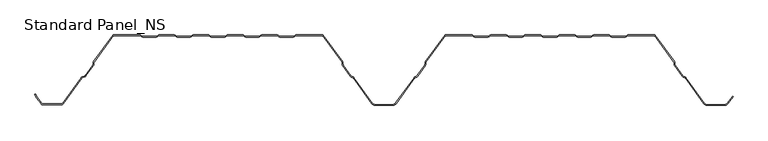
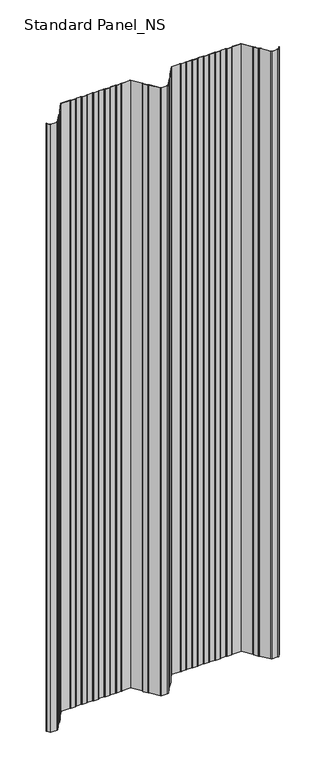
"""IFC4 building model written with IfcOpenShell, lengths in millimetres: proxy geometry, Standard Panel_NS."""

from ifc_helpers import new_model, si_unit, point, frame, frame_2d, origin, place, context, project, spatial, polyline, circle_curve, trimmed, segment, composite_curve, outline, extrude, source, transform, mapped, element, save


def standard_panel_ns_0f8c9b71(model_context):
    return source(origin(), model_context, "Body", "SweptSolid", [
        extrude(outline(composite_curve([segment(polyline([(-491.8230656, -98.864737), (-498.391455, -89.8048897), (-500.5883845, -85.4014829), (-499.6935696, -84.9550455), (-497.5334489, -89.2846747), (-491.0134552, -98.2777695)]), True, "CONTINUOUS"), segment(trimmed(circle_curve(frame_2d((-489.5977664, -97.2513951)), 1.7486049), [point((-491.0134552, -98.2777695))], [point((-489.5977664, -99.0))], True, "CARTESIAN"), True, "CONTINUOUS"), segment(polyline([(-489.5977664, -99.0), (-462.4022336, -99.0)]), True, "CONTINUOUS"), segment(trimmed(circle_curve(frame_2d((-462.4022336, -97.2513951)), 1.7486049), [point((-462.4022336, -99.0))], [point((-460.9865448, -98.2777695))], True, "CARTESIAN"), True, "CONTINUOUS"), segment(polyline([(-460.9865448, -98.2777695), (-434.1908292, -61.3181617)]), True, "CONTINUOUS"), segment(trimmed(circle_curve(frame_2d((-431.96553, -62.9315037)), 2.7486049), [point((-434.1908292, -61.3181617))], [point((-432.9221697, -60.3547481))], False, "CARTESIAN"), True, "CONTINUOUS"), segment(polyline([(-432.9221697, -60.3547481), (-429.1284966, -58.9463185)]), True, "CONTINUOUS"), segment(trimmed(circle_curve(frame_2d((-429.7370908, -57.3070406)), 1.7486049), [point((-429.1284966, -58.9463185))], [point((-428.321402, -58.333415))], True, "CARTESIAN"), True, "CONTINUOUS"), segment(polyline([(-428.321402, -58.333415), (-417.5718646, -43.5064668)]), True, "CONTINUOUS"), segment(trimmed(circle_curve(frame_2d((-418.9875533, -42.4800924)), 1.7486049), [point((-417.5718646, -43.5064668))], [point((-417.240299, -42.5488047))], True, "CARTESIAN"), True, "CONTINUOUS"), segment(polyline([(-417.240299, -42.5488047), (-417.1521237, -40.3066321)]), True, "CONTINUOUS"), segment(trimmed(circle_curve(frame_2d((-414.4056417, -40.4146398)), 2.7486049), [point((-417.1521237, -40.3066321))], [point((-416.6309409, -38.8012978))], False, "CARTESIAN"), True, "CONTINUOUS"), segment(polyline([(-416.6309409, -38.8012978), (-388.5, 0.0), (-350.1655439, 0.0)]), True, "CONTINUOUS"), segment(trimmed(circle_curve(frame_2d((-350.1655439, -2.7486049)), 2.7486049), [point((-350.1655439, 0.0))], [point((-348.6408923, -0.4616274))], False, "CARTESIAN"), True, "CONTINUOUS"), segment(polyline([(-348.6408923, -0.4616274), (-346.7738498, -1.7063223)]), True, "CONTINUOUS"), segment(trimmed(circle_curve(frame_2d((-345.8038984, -0.2513951)), 1.7486049), [point((-346.7738498, -1.7063223))], [point((-345.8038984, -2.0))], True, "CARTESIAN"), True, "CONTINUOUS"), segment(polyline([(-345.8038984, -2.0), (-326.8627683, -2.0)]), True, "CONTINUOUS"), segment(trimmed(circle_curve(frame_2d((-326.8627683, -0.2513951)), 1.7486049), [point((-326.8627683, -2.0))], [point((-325.8928168, -1.7063223))], True, "CARTESIAN"), True, "CONTINUOUS"), segment(polyline([(-325.8928168, -1.7063223), (-324.0257744, -0.4616274)]), True, "CONTINUOUS"), segment(trimmed(circle_curve(frame_2d((-322.5011227, -2.7486049)), 2.7486049), [point((-324.0257744, -0.4616274))], [point((-322.5011227, 0.0))], False, "CARTESIAN"), True, "CONTINUOUS"), segment(polyline([(-322.5011227, 0.0), (-300.9988773, 0.0)]), True, "CONTINUOUS"), segment(trimmed(circle_curve(frame_2d((-300.9988773, -2.7486049)), 2.7486049), [point((-300.9988773, 0.0))], [point((-299.4742256, -0.4616274))], False, "CARTESIAN"), True, "CONTINUOUS"), segment(polyline([(-299.4742256, -0.4616274), (-297.6071832, -1.7063223)]), True, "CONTINUOUS"), segment(trimmed(circle_curve(frame_2d((-296.6372317, -0.2513951)), 1.7486049), [point((-297.6071832, -1.7063223))], [point((-296.6372317, -2.0))], True, "CARTESIAN"), True, "CONTINUOUS"), segment(polyline([(-296.6372317, -2.0), (-277.6961016, -2.0)]), True, "CONTINUOUS"), segment(trimmed(circle_curve(frame_2d((-277.6961016, -0.2513951)), 1.7486049), [point((-277.6961016, -2.0))], [point((-276.7261502, -1.7063223))], True, "CARTESIAN"), True, "CONTINUOUS"), segment(polyline([(-276.7261502, -1.7063223), (-274.8591077, -0.4616274)]), True, "CONTINUOUS"), segment(trimmed(circle_curve(frame_2d((-273.3344561, -2.7486049)), 2.7486049), [point((-274.8591077, -0.4616274))], [point((-273.3344561, 0.0))], False, "CARTESIAN"), True, "CONTINUOUS"), segment(polyline([(-273.3344561, 0.0), (-251.8322106, 0.0)]), True, "CONTINUOUS"), segment(trimmed(circle_curve(frame_2d((-251.8322106, -2.7486049)), 2.7486049), [point((-251.8322106, 0.0))], [point((-250.3075589, -0.4616274))], False, "CARTESIAN"), True, "CONTINUOUS"), segment(polyline([(-250.3075589, -0.4616274), (-248.4405165, -1.7063223)]), True, "CONTINUOUS"), segment(trimmed(circle_curve(frame_2d((-247.470565, -0.2513951)), 1.7486049), [point((-248.4405165, -1.7063223))], [point((-247.470565, -2.0))], True, "CARTESIAN"), True, "CONTINUOUS"), segment(polyline([(-247.470565, -2.0), (-228.529435, -2.0)]), True, "CONTINUOUS"), segment(trimmed(circle_curve(frame_2d((-228.529435, -0.2513951)), 1.7486049), [point((-228.529435, -2.0))], [point((-227.5594835, -1.7063223))], True, "CARTESIAN"), True, "CONTINUOUS"), segment(polyline([(-227.5594835, -1.7063223), (-225.6924411, -0.4616274)]), True, "CONTINUOUS"), segment(trimmed(circle_curve(frame_2d((-224.1677894, -2.7486049)), 2.7486049), [point((-225.6924411, -0.4616274))], [point((-224.1677894, 0.0))], False, "CARTESIAN"), True, "CONTINUOUS"), segment(polyline([(-224.1677894, 0.0), (-202.6655439, 0.0)]), True, "CONTINUOUS"), segment(trimmed(circle_curve(frame_2d((-202.6655439, -2.7486049)), 2.7486049), [point((-202.6655439, 0.0))], [point((-201.1408923, -0.4616274))], False, "CARTESIAN"), True, "CONTINUOUS"), segment(polyline([(-201.1408923, -0.4616274), (-199.2738498, -1.7063223)]), True, "CONTINUOUS"), segment(trimmed(circle_curve(frame_2d((-198.3038984, -0.2513951)), 1.7486049), [point((-199.2738498, -1.7063223))], [point((-198.3038984, -2.0))], True, "CARTESIAN"), True, "CONTINUOUS"), segment(polyline([(-198.3038984, -2.0), (-179.3627683, -2.0)]), True, "CONTINUOUS"), segment(trimmed(circle_curve(frame_2d((-179.3627683, -0.2513951)), 1.7486049), [point((-179.3627683, -2.0))], [point((-178.3928168, -1.7063223))], True, "CARTESIAN"), True, "CONTINUOUS"), segment(polyline([(-178.3928168, -1.7063223), (-176.5257744, -0.4616274)]), True, "CONTINUOUS"), segment(trimmed(circle_curve(frame_2d((-175.0011227, -2.7486049)), 2.7486049), [point((-176.5257744, -0.4616274))], [point((-175.0011227, 0.0))], False, "CARTESIAN"), True, "CONTINUOUS"), segment(polyline([(-175.0011227, 0.0), (-153.4988773, 0.0)]), True, "CONTINUOUS"), segment(trimmed(circle_curve(frame_2d((-153.4988773, -2.7486049)), 2.7486049), [point((-153.4988773, 0.0))], [point((-151.9742256, -0.4616274))], False, "CARTESIAN"), True, "CONTINUOUS"), segment(polyline([(-151.9742256, -0.4616274), (-150.1071832, -1.7063223)]), True, "CONTINUOUS"), segment(trimmed(circle_curve(frame_2d((-149.1372317, -0.2513951)), 1.7486049), [point((-150.1071832, -1.7063223))], [point((-149.1372317, -2.0))], True, "CARTESIAN"), True, "CONTINUOUS"), segment(polyline([(-149.1372317, -2.0), (-130.1961016, -2.0)]), True, "CONTINUOUS"), segment(trimmed(circle_curve(frame_2d((-130.1961016, -0.2513951)), 1.7486049), [point((-130.1961016, -2.0))], [point((-129.2261502, -1.7063223))], True, "CARTESIAN"), True, "CONTINUOUS"), segment(polyline([(-129.2261502, -1.7063223), (-127.3591077, -0.4616274)]), True, "CONTINUOUS"), segment(trimmed(circle_curve(frame_2d((-125.8344561, -2.7486049)), 2.7486049), [point((-127.3591077, -0.4616274))], [point((-125.8344561, 0.0))], False, "CARTESIAN"), True, "CONTINUOUS"), segment(polyline([(-125.8344561, 0.0), (-87.5, 0.0), (-59.3690591, -38.8012978)]), True, "CONTINUOUS"), segment(trimmed(circle_curve(frame_2d((-61.5943583, -40.4146398)), 2.7486049), [point((-59.3690591, -38.8012978))], [point((-58.8478763, -40.3066321))], False, "CARTESIAN"), True, "CONTINUOUS"), segment(polyline([(-58.8478763, -40.3066321), (-58.759701, -42.5488047)]), True, "CONTINUOUS"), segment(trimmed(circle_curve(frame_2d((-57.0124467, -42.4800924)), 1.7486049), [point((-58.759701, -42.5488047))], [point((-58.4281354, -43.5064668))], True, "CARTESIAN"), True, "CONTINUOUS"), segment(polyline([(-58.4281354, -43.5064668), (-47.3103063, -58.8414035)]), True, "CONTINUOUS"), segment(trimmed(circle_curve(frame_2d((-45.8946175, -57.8150291)), 1.7486049), [point((-47.3103063, -58.8414035))], [point((-46.5032117, -59.4543071))], True, "CARTESIAN"), True, "CONTINUOUS"), segment(polyline([(-46.5032117, -59.4543071), (-44.3996004, -60.2352885)]), True, "CONTINUOUS"), segment(trimmed(circle_curve(frame_2d((-45.3562402, -62.8120441)), 2.7486049), [point((-44.3996004, -60.2352885))], [point((-43.1309409, -61.1987022))], False, "CARTESIAN"), True, "CONTINUOUS"), segment(polyline([(-43.1309409, -61.1987022), (-16.4972426, -97.9348379)]), True, "CONTINUOUS"), segment(trimmed(circle_curve(frame_2d((-12.4491903, -95.0)), 5.0), [point((-16.4972426, -97.9348379))], [point((-12.4491903, -100.0))], True, "CARTESIAN"), True, "CONTINUOUS"), segment(polyline([(-12.4491903, -100.0), (12.4491903, -100.0)]), True, "CONTINUOUS"), segment(trimmed(circle_curve(frame_2d((12.4491903, -95.0)), 5.0), [point((12.4491903, -100.0))], [point((16.4972426, -97.9348379))], True, "CARTESIAN"), True, "CONTINUOUS"), segment(polyline([(16.4972426, -97.9348379), (43.1309409, -61.1987022)]), True, "CONTINUOUS"), segment(trimmed(circle_curve(frame_2d((45.3562402, -62.8120441)), 2.7486049), [point((43.1309409, -61.1987022))], [point((44.3996004, -60.2352885))], False, "CARTESIAN"), True, "CONTINUOUS"), segment(polyline([(44.3996004, -60.2352885), (46.5032117, -59.4543071)]), True, "CONTINUOUS"), segment(trimmed(circle_curve(frame_2d((45.8946175, -57.8150291)), 1.7486049), [point((46.5032117, -59.4543071))], [point((47.3103063, -58.8414035))], True, "CARTESIAN"), True, "CONTINUOUS"), segment(polyline([(47.3103063, -58.8414035), (58.4281354, -43.5064668)]), True, "CONTINUOUS"), segment(trimmed(circle_curve(frame_2d((57.0124467, -42.4800924)), 1.7486049), [point((58.4281354, -43.5064668))], [point((58.759701, -42.5488047))], True, "CARTESIAN"), True, "CONTINUOUS"), segment(polyline([(58.759701, -42.5488047), (58.8478763, -40.3066321)]), True, "CONTINUOUS"), segment(trimmed(circle_curve(frame_2d((61.5943583, -40.4146398)), 2.7486049), [point((58.8478763, -40.3066321))], [point((59.3690591, -38.8012978))], False, "CARTESIAN"), True, "CONTINUOUS"), segment(polyline([(59.3690591, -38.8012978), (87.5, 0.0), (125.8344561, 0.0)]), True, "CONTINUOUS"), segment(trimmed(circle_curve(frame_2d((125.8344561, -2.7486049)), 2.7486049), [point((125.8344561, 0.0))], [point((127.3591077, -0.4616274))], False, "CARTESIAN"), True, "CONTINUOUS"), segment(polyline([(127.3591077, -0.4616274), (129.2261502, -1.7063223)]), True, "CONTINUOUS"), segment(trimmed(circle_curve(frame_2d((130.1961016, -0.2513951)), 1.7486049), [point((129.2261502, -1.7063223))], [point((130.1961016, -2.0))], True, "CARTESIAN"), True, "CONTINUOUS"), segment(polyline([(130.1961016, -2.0), (149.1372317, -2.0)]), True, "CONTINUOUS"), segment(trimmed(circle_curve(frame_2d((149.1372317, -0.2513951)), 1.7486049), [point((149.1372317, -2.0))], [point((150.1071832, -1.7063223))], True, "CARTESIAN"), True, "CONTINUOUS"), segment(polyline([(150.1071832, -1.7063223), (151.9742256, -0.4616274)]), True, "CONTINUOUS"), segment(trimmed(circle_curve(frame_2d((153.4988773, -2.7486049)), 2.7486049), [point((151.9742256, -0.4616274))], [point((153.4988773, 0.0))], False, "CARTESIAN"), True, "CONTINUOUS"), segment(polyline([(153.4988773, 0.0), (175.0011227, 0.0)]), True, "CONTINUOUS"), segment(trimmed(circle_curve(frame_2d((175.0011227, -2.7486049)), 2.7486049), [point((175.0011227, 0.0))], [point((176.5257744, -0.4616274))], False, "CARTESIAN"), True, "CONTINUOUS"), segment(polyline([(176.5257744, -0.4616274), (178.3928168, -1.7063223)]), True, "CONTINUOUS"), segment(trimmed(circle_curve(frame_2d((179.3627683, -0.2513951)), 1.7486049), [point((178.3928168, -1.7063223))], [point((179.3627683, -2.0))], True, "CARTESIAN"), True, "CONTINUOUS"), segment(polyline([(179.3627683, -2.0), (198.3038984, -2.0)]), True, "CONTINUOUS"), segment(trimmed(circle_curve(frame_2d((198.3038984, -0.2513951)), 1.7486049), [point((198.3038984, -2.0))], [point((199.2738498, -1.7063223))], True, "CARTESIAN"), True, "CONTINUOUS"), segment(polyline([(199.2738498, -1.7063223), (201.1408923, -0.4616274)]), True, "CONTINUOUS"), segment(trimmed(circle_curve(frame_2d((202.6655439, -2.7486049)), 2.7486049), [point((201.1408923, -0.4616274))], [point((202.6655439, 0.0))], False, "CARTESIAN"), True, "CONTINUOUS"), segment(polyline([(202.6655439, 0.0), (224.1677894, 0.0)]), True, "CONTINUOUS"), segment(trimmed(circle_curve(frame_2d((224.1677894, -2.7486049)), 2.7486049), [point((224.1677894, 0.0))], [point((225.6924411, -0.4616274))], False, "CARTESIAN"), True, "CONTINUOUS"), segment(polyline([(225.6924411, -0.4616274), (227.5594835, -1.7063223)]), True, "CONTINUOUS"), segment(trimmed(circle_curve(frame_2d((228.529435, -0.2513951)), 1.7486049), [point((227.5594835, -1.7063223))], [point((228.529435, -2.0))], True, "CARTESIAN"), True, "CONTINUOUS"), segment(polyline([(228.529435, -2.0), (247.470565, -2.0)]), True, "CONTINUOUS"), segment(trimmed(circle_curve(frame_2d((247.470565, -0.2513951)), 1.7486049), [point((247.470565, -2.0))], [point((248.4405165, -1.7063223))], True, "CARTESIAN"), True, "CONTINUOUS"), segment(polyline([(248.4405165, -1.7063223), (250.3075589, -0.4616274)]), True, "CONTINUOUS"), segment(trimmed(circle_curve(frame_2d((251.8322106, -2.7486049)), 2.7486049), [point((250.3075589, -0.4616274))], [point((251.8322106, 0.0))], False, "CARTESIAN"), True, "CONTINUOUS"), segment(polyline([(251.8322106, 0.0), (273.3344561, 0.0)]), True, "CONTINUOUS"), segment(trimmed(circle_curve(frame_2d((273.3344561, -2.7486049)), 2.7486049), [point((273.3344561, 0.0))], [point((274.8591077, -0.4616274))], False, "CARTESIAN"), True, "CONTINUOUS"), segment(polyline([(274.8591077, -0.4616274), (276.7261502, -1.7063223)]), True, "CONTINUOUS"), segment(trimmed(circle_curve(frame_2d((277.6961016, -0.2513951)), 1.7486049), [point((276.7261502, -1.7063223))], [point((277.6961016, -2.0))], True, "CARTESIAN"), True, "CONTINUOUS"), segment(polyline([(277.6961016, -2.0), (296.6372317, -2.0)]), True, "CONTINUOUS"), segment(trimmed(circle_curve(frame_2d((296.6372317, -0.2513951)), 1.7486049), [point((296.6372317, -2.0))], [point((297.6071832, -1.7063223))], True, "CARTESIAN"), True, "CONTINUOUS"), segment(polyline([(297.6071832, -1.7063223), (299.4742256, -0.4616274)]), True, "CONTINUOUS"), segment(trimmed(circle_curve(frame_2d((300.9988773, -2.7486049)), 2.7486049), [point((299.4742256, -0.4616274))], [point((300.9988773, 0.0))], False, "CARTESIAN"), True, "CONTINUOUS"), segment(polyline([(300.9988773, 0.0), (322.5011227, 0.0)]), True, "CONTINUOUS"), segment(trimmed(circle_curve(frame_2d((322.5011227, -2.7486049)), 2.7486049), [point((322.5011227, 0.0))], [point((324.0257744, -0.4616274))], False, "CARTESIAN"), True, "CONTINUOUS"), segment(polyline([(324.0257744, -0.4616274), (325.8928168, -1.7063223)]), True, "CONTINUOUS"), segment(trimmed(circle_curve(frame_2d((326.8627683, -0.2513951)), 1.7486049), [point((325.8928168, -1.7063223))], [point((326.8627683, -2.0))], True, "CARTESIAN"), True, "CONTINUOUS"), segment(polyline([(326.8627683, -2.0), (345.8038984, -2.0)]), True, "CONTINUOUS"), segment(trimmed(circle_curve(frame_2d((345.8038984, -0.2513951)), 1.7486049), [point((345.8038984, -2.0))], [point((346.7738498, -1.7063223))], True, "CARTESIAN"), True, "CONTINUOUS"), segment(polyline([(346.7738498, -1.7063223), (348.6408923, -0.4616274)]), True, "CONTINUOUS"), segment(trimmed(circle_curve(frame_2d((350.1655439, -2.7486049)), 2.7486049), [point((348.6408923, -0.4616274))], [point((350.1655439, 0.0))], False, "CARTESIAN"), True, "CONTINUOUS"), segment(polyline([(350.1655439, 0.0), (388.5, 0.0), (416.6309409, -38.8012978)]), True, "CONTINUOUS"), segment(trimmed(circle_curve(frame_2d((414.4056417, -40.4146398)), 2.7486049), [point((416.6309409, -38.8012978))], [point((417.1521237, -40.3066321))], False, "CARTESIAN"), True, "CONTINUOUS"), segment(polyline([(417.1521237, -40.3066321), (417.240299, -42.5488047)]), True, "CONTINUOUS"), segment(trimmed(circle_curve(frame_2d((418.9875533, -42.4800924)), 1.7486049), [point((417.240299, -42.5488047))], [point((417.5718646, -43.5064668))], True, "CARTESIAN"), True, "CONTINUOUS"), segment(polyline([(417.5718646, -43.5064668), (428.6896937, -58.8414035)]), True, "CONTINUOUS"), segment(trimmed(circle_curve(frame_2d((430.1053825, -57.8150291)), 1.7486049), [point((428.6896937, -58.8414035))], [point((429.4967883, -59.4543071))], True, "CARTESIAN"), True, "CONTINUOUS"), segment(polyline([(429.4967883, -59.4543071), (431.6003996, -60.2352885)]), True, "CONTINUOUS"), segment(trimmed(circle_curve(frame_2d((430.6437598, -62.8120441)), 2.7486049), [point((431.6003996, -60.2352885))], [point((432.8690591, -61.1987022))], False, "CARTESIAN"), True, "CONTINUOUS"), segment(polyline([(432.8690591, -61.1987022), (459.5027574, -97.9348379)]), True, "CONTINUOUS"), segment(trimmed(circle_curve(frame_2d((463.5508097, -95.0)), 5.0), [point((459.5027574, -97.9348379))], [point((463.5508097, -100.0))], True, "CARTESIAN"), True, "CONTINUOUS"), segment(polyline([(463.5508097, -100.0), (488.4491903, -100.0)]), True, "CONTINUOUS"), segment(trimmed(circle_curve(frame_2d((488.4491903, -95.0)), 5.0), [point((488.4491903, -100.0))], [point((492.4972426, -97.9348379))], True, "CARTESIAN"), True, "CONTINUOUS"), segment(polyline([(492.4972426, -97.9348379), (499.8045136, -87.8558433), (500.614124, -88.4428109), (493.306853, -98.5218054)]), True, "CONTINUOUS"), segment(trimmed(circle_curve(frame_2d((488.4491903, -95.0)), 6.0), [point((493.306853, -98.5218054))], [point((488.4491903, -101.0))], False, "CARTESIAN"), True, "CONTINUOUS"), segment(polyline([(488.4491903, -101.0), (463.5508097, -101.0)]), True, "CONTINUOUS"), segment(trimmed(circle_curve(frame_2d((463.5508097, -95.0)), 6.0), [point((463.5508097, -101.0))], [point((458.693147, -98.5218054))], False, "CARTESIAN"), True, "CONTINUOUS"), segment(polyline([(458.693147, -98.5218054), (432.0594486, -61.7856697)]), True, "CONTINUOUS"), segment(trimmed(circle_curve(frame_2d((430.6437598, -62.8120441)), 1.7486049), [point((432.0594486, -61.7856697))], [point((431.252354, -61.1727662))], True, "CARTESIAN"), True, "CONTINUOUS"), segment(polyline([(431.252354, -61.1727662), (429.1487427, -60.3917847)]), True, "CONTINUOUS"), segment(trimmed(circle_curve(frame_2d((430.1053825, -57.8150291)), 2.7486049), [point((429.1487427, -60.3917847))], [point((427.8800832, -59.4283711))], False, "CARTESIAN"), True, "CONTINUOUS"), segment(polyline([(427.8800832, -59.4283711), (416.7622541, -44.0934344)]), True, "CONTINUOUS"), segment(trimmed(circle_curve(frame_2d((418.9875533, -42.4800924)), 2.7486049), [point((416.7622541, -44.0934344))], [point((416.2410714, -42.5881001))], False, "CARTESIAN"), True, "CONTINUOUS"), segment(polyline([(416.2410714, -42.5881001), (416.152896, -40.3459275)]), True, "CONTINUOUS"), segment(trimmed(circle_curve(frame_2d((414.4056417, -40.4146398)), 1.7486049), [point((416.152896, -40.3459275))], [point((415.8213305, -39.3882654))], True, "CARTESIAN"), True, "CONTINUOUS"), segment(polyline([(415.8213305, -39.3882654), (387.9898381, -1.0), (350.1655439, -1.0)]), True, "CONTINUOUS"), segment(trimmed(circle_curve(frame_2d((350.1655439, -2.7486049)), 1.7486049), [point((350.1655439, -1.0))], [point((349.1955925, -1.2936777))], True, "CARTESIAN"), True, "CONTINUOUS"), segment(polyline([(349.1955925, -1.2936777), (347.32855, -2.5383726)]), True, "CONTINUOUS"), segment(trimmed(circle_curve(frame_2d((345.8038984, -0.2513951)), 2.7486049), [point((347.32855, -2.5383726))], [point((345.8038984, -3.0))], False, "CARTESIAN"), True, "CONTINUOUS"), segment(polyline([(345.8038984, -3.0), (326.8627683, -3.0)]), True, "CONTINUOUS"), segment(trimmed(circle_curve(frame_2d((326.8627683, -0.2513951)), 2.7486049), [point((326.8627683, -3.0))], [point((325.3381166, -2.5383726))], False, "CARTESIAN"), True, "CONTINUOUS"), segment(polyline([(325.3381166, -2.5383726), (323.4710742, -1.2936777)]), True, "CONTINUOUS"), segment(trimmed(circle_curve(frame_2d((322.5011227, -2.7486049)), 1.7486049), [point((323.4710742, -1.2936777))], [point((322.5011227, -1.0))], True, "CARTESIAN"), True, "CONTINUOUS"), segment(polyline([(322.5011227, -1.0), (300.9988773, -1.0)]), True, "CONTINUOUS"), segment(trimmed(circle_curve(frame_2d((300.9988773, -2.7486049)), 1.7486049), [point((300.9988773, -1.0))], [point((300.0289258, -1.2936777))], True, "CARTESIAN"), True, "CONTINUOUS"), segment(polyline([(300.0289258, -1.2936777), (298.1618834, -2.5383726)]), True, "CONTINUOUS"), segment(trimmed(circle_curve(frame_2d((296.6372317, -0.2513951)), 2.7486049), [point((298.1618834, -2.5383726))], [point((296.6372317, -3.0))], False, "CARTESIAN"), True, "CONTINUOUS"), segment(polyline([(296.6372317, -3.0), (277.6961016, -3.0)]), True, "CONTINUOUS"), segment(trimmed(circle_curve(frame_2d((277.6961016, -0.2513951)), 2.7486049), [point((277.6961016, -3.0))], [point((276.17145, -2.5383726))], False, "CARTESIAN"), True, "CONTINUOUS"), segment(polyline([(276.17145, -2.5383726), (274.3044075, -1.2936777)]), True, "CONTINUOUS"), segment(trimmed(circle_curve(frame_2d((273.3344561, -2.7486049)), 1.7486049), [point((274.3044075, -1.2936777))], [point((273.3344561, -1.0))], True, "CARTESIAN"), True, "CONTINUOUS"), segment(polyline([(273.3344561, -1.0), (251.8322106, -1.0)]), True, "CONTINUOUS"), segment(trimmed(circle_curve(frame_2d((251.8322106, -2.7486049)), 1.7486049), [point((251.8322106, -1.0))], [point((250.8622591, -1.2936777))], True, "CARTESIAN"), True, "CONTINUOUS"), segment(polyline([(250.8622591, -1.2936777), (248.9952167, -2.5383726)]), True, "CONTINUOUS"), segment(trimmed(circle_curve(frame_2d((247.470565, -0.2513951)), 2.7486049), [point((248.9952167, -2.5383726))], [point((247.470565, -3.0))], False, "CARTESIAN"), True, "CONTINUOUS"), segment(polyline([(247.470565, -3.0), (228.529435, -3.0)]), True, "CONTINUOUS"), segment(trimmed(circle_curve(frame_2d((228.529435, -0.2513951)), 2.7486049), [point((228.529435, -3.0))], [point((227.0047833, -2.5383726))], False, "CARTESIAN"), True, "CONTINUOUS"), segment(polyline([(227.0047833, -2.5383726), (225.1377409, -1.2936777)]), True, "CONTINUOUS"), segment(trimmed(circle_curve(frame_2d((224.1677894, -2.7486049)), 1.7486049), [point((225.1377409, -1.2936777))], [point((224.1677894, -1.0))], True, "CARTESIAN"), True, "CONTINUOUS"), segment(polyline([(224.1677894, -1.0), (202.6655439, -1.0)]), True, "CONTINUOUS"), segment(trimmed(circle_curve(frame_2d((202.6655439, -2.7486049)), 1.7486049), [point((202.6655439, -1.0))], [point((201.6955925, -1.2936777))], True, "CARTESIAN"), True, "CONTINUOUS"), segment(polyline([(201.6955925, -1.2936777), (199.82855, -2.5383726)]), True, "CONTINUOUS"), segment(trimmed(circle_curve(frame_2d((198.3038984, -0.2513951)), 2.7486049), [point((199.82855, -2.5383726))], [point((198.3038984, -3.0))], False, "CARTESIAN"), True, "CONTINUOUS"), segment(polyline([(198.3038984, -3.0), (179.3627683, -3.0)]), True, "CONTINUOUS"), segment(trimmed(circle_curve(frame_2d((179.3627683, -0.2513951)), 2.7486049), [point((179.3627683, -3.0))], [point((177.8381166, -2.5383726))], False, "CARTESIAN"), True, "CONTINUOUS"), segment(polyline([(177.8381166, -2.5383726), (175.9710742, -1.2936777)]), True, "CONTINUOUS"), segment(trimmed(circle_curve(frame_2d((175.0011227, -2.7486049)), 1.7486049), [point((175.9710742, -1.2936777))], [point((175.0011227, -1.0))], True, "CARTESIAN"), True, "CONTINUOUS"), segment(polyline([(175.0011227, -1.0), (153.4988773, -1.0)]), True, "CONTINUOUS"), segment(trimmed(circle_curve(frame_2d((153.4988773, -2.7486049)), 1.7486049), [point((153.4988773, -1.0))], [point((152.5289258, -1.2936777))], True, "CARTESIAN"), True, "CONTINUOUS"), segment(polyline([(152.5289258, -1.2936777), (150.6618834, -2.5383726)]), True, "CONTINUOUS"), segment(trimmed(circle_curve(frame_2d((149.1372317, -0.2513951)), 2.7486049), [point((150.6618834, -2.5383726))], [point((149.1372317, -3.0))], False, "CARTESIAN"), True, "CONTINUOUS"), segment(polyline([(149.1372317, -3.0), (130.1961016, -3.0)]), True, "CONTINUOUS"), segment(trimmed(circle_curve(frame_2d((130.1961016, -0.2513951)), 2.7486049), [point((130.1961016, -3.0))], [point((128.67145, -2.5383726))], False, "CARTESIAN"), True, "CONTINUOUS"), segment(polyline([(128.67145, -2.5383726), (126.8044075, -1.2936777)]), True, "CONTINUOUS"), segment(trimmed(circle_curve(frame_2d((125.8344561, -2.7486049)), 1.7486049), [point((126.8044075, -1.2936777))], [point((125.8344561, -1.0))], True, "CARTESIAN"), True, "CONTINUOUS"), segment(polyline([(125.8344561, -1.0), (88.0101619, -1.0), (60.1786695, -39.3882654)]), True, "CONTINUOUS"), segment(trimmed(circle_curve(frame_2d((61.5943583, -40.4146398)), 1.7486049), [point((60.1786695, -39.3882654))], [point((59.847104, -40.3459275))], True, "CARTESIAN"), True, "CONTINUOUS"), segment(polyline([(59.847104, -40.3459275), (59.7589286, -42.5881001)]), True, "CONTINUOUS"), segment(trimmed(circle_curve(frame_2d((57.0124467, -42.4800924)), 2.7486049), [point((59.7589286, -42.5881001))], [point((59.2377459, -44.0934344))], False, "CARTESIAN"), True, "CONTINUOUS"), segment(polyline([(59.2377459, -44.0934344), (48.1199168, -59.4283711)]), True, "CONTINUOUS"), segment(trimmed(circle_curve(frame_2d((45.8946175, -57.8150291)), 2.7486049), [point((48.1199168, -59.4283711))], [point((46.8512573, -60.3917847))], False, "CARTESIAN"), True, "CONTINUOUS"), segment(polyline([(46.8512573, -60.3917847), (44.747646, -61.1727662)]), True, "CONTINUOUS"), segment(trimmed(circle_curve(frame_2d((45.3562402, -62.8120441)), 1.7486049), [point((44.747646, -61.1727662))], [point((43.9405514, -61.7856697))], True, "CARTESIAN"), True, "CONTINUOUS"), segment(polyline([(43.9405514, -61.7856697), (17.306853, -98.5218054)]), True, "CONTINUOUS"), segment(trimmed(circle_curve(frame_2d((12.4491903, -95.0)), 6.0), [point((17.306853, -98.5218054))], [point((12.4491903, -101.0))], False, "CARTESIAN"), True, "CONTINUOUS"), segment(polyline([(12.4491903, -101.0), (-12.4491903, -101.0)]), True, "CONTINUOUS"), segment(trimmed(circle_curve(frame_2d((-12.4491903, -95.0)), 6.0), [point((-12.4491903, -101.0))], [point((-17.306853, -98.5218054))], False, "CARTESIAN"), True, "CONTINUOUS"), segment(polyline([(-17.306853, -98.5218054), (-43.9405514, -61.7856697)]), True, "CONTINUOUS"), segment(trimmed(circle_curve(frame_2d((-45.3562402, -62.8120441)), 1.7486049), [point((-43.9405514, -61.7856697))], [point((-44.747646, -61.1727662))], True, "CARTESIAN"), True, "CONTINUOUS"), segment(polyline([(-44.747646, -61.1727662), (-46.8512573, -60.3917847)]), True, "CONTINUOUS"), segment(trimmed(circle_curve(frame_2d((-45.8946175, -57.8150291)), 2.7486049), [point((-46.8512573, -60.3917847))], [point((-48.1199168, -59.4283711))], False, "CARTESIAN"), True, "CONTINUOUS"), segment(polyline([(-48.1199168, -59.4283711), (-59.2377459, -44.0934344)]), True, "CONTINUOUS"), segment(trimmed(circle_curve(frame_2d((-57.0124467, -42.4800924)), 2.7486049), [point((-59.2377459, -44.0934344))], [point((-59.7589286, -42.5881001))], False, "CARTESIAN"), True, "CONTINUOUS"), segment(polyline([(-59.7589286, -42.5881001), (-59.847104, -40.3459275)]), True, "CONTINUOUS"), segment(trimmed(circle_curve(frame_2d((-61.5943583, -40.4146398)), 1.7486049), [point((-59.847104, -40.3459275))], [point((-60.1786695, -39.3882654))], True, "CARTESIAN"), True, "CONTINUOUS"), segment(polyline([(-60.1786695, -39.3882654), (-88.0101619, -1.0), (-125.8344561, -1.0)]), True, "CONTINUOUS"), segment(trimmed(circle_curve(frame_2d((-125.8344561, -2.7486049)), 1.7486049), [point((-125.8344561, -1.0))], [point((-126.8044075, -1.2936777))], True, "CARTESIAN"), True, "CONTINUOUS"), segment(polyline([(-126.8044075, -1.2936777), (-128.67145, -2.5383726)]), True, "CONTINUOUS"), segment(trimmed(circle_curve(frame_2d((-130.1961016, -0.2513951)), 2.7486049), [point((-128.67145, -2.5383726))], [point((-130.1961016, -3.0))], False, "CARTESIAN"), True, "CONTINUOUS"), segment(polyline([(-130.1961016, -3.0), (-149.1372317, -3.0)]), True, "CONTINUOUS"), segment(trimmed(circle_curve(frame_2d((-149.1372317, -0.2513951)), 2.7486049), [point((-149.1372317, -3.0))], [point((-150.6618834, -2.5383726))], False, "CARTESIAN"), True, "CONTINUOUS"), segment(polyline([(-150.6618834, -2.5383726), (-152.5289258, -1.2936777)]), True, "CONTINUOUS"), segment(trimmed(circle_curve(frame_2d((-153.4988773, -2.7486049)), 1.7486049), [point((-152.5289258, -1.2936777))], [point((-153.4988773, -1.0))], True, "CARTESIAN"), True, "CONTINUOUS"), segment(polyline([(-153.4988773, -1.0), (-175.0011227, -1.0)]), True, "CONTINUOUS"), segment(trimmed(circle_curve(frame_2d((-175.0011227, -2.7486049)), 1.7486049), [point((-175.0011227, -1.0))], [point((-175.9710742, -1.2936777))], True, "CARTESIAN"), True, "CONTINUOUS"), segment(polyline([(-175.9710742, -1.2936777), (-177.8381166, -2.5383726)]), True, "CONTINUOUS"), segment(trimmed(circle_curve(frame_2d((-179.3627683, -0.2513951)), 2.7486049), [point((-177.8381166, -2.5383726))], [point((-179.3627683, -3.0))], False, "CARTESIAN"), True, "CONTINUOUS"), segment(polyline([(-179.3627683, -3.0), (-198.3038984, -3.0)]), True, "CONTINUOUS"), segment(trimmed(circle_curve(frame_2d((-198.3038984, -0.2513951)), 2.7486049), [point((-198.3038984, -3.0))], [point((-199.82855, -2.5383726))], False, "CARTESIAN"), True, "CONTINUOUS"), segment(polyline([(-199.82855, -2.5383726), (-201.6955925, -1.2936777)]), True, "CONTINUOUS"), segment(trimmed(circle_curve(frame_2d((-202.6655439, -2.7486049)), 1.7486049), [point((-201.6955925, -1.2936777))], [point((-202.6655439, -1.0))], True, "CARTESIAN"), True, "CONTINUOUS"), segment(polyline([(-202.6655439, -1.0), (-224.1677894, -1.0)]), True, "CONTINUOUS"), segment(trimmed(circle_curve(frame_2d((-224.1677894, -2.7486049)), 1.7486049), [point((-224.1677894, -1.0))], [point((-225.1377409, -1.2936777))], True, "CARTESIAN"), True, "CONTINUOUS"), segment(polyline([(-225.1377409, -1.2936777), (-227.0047833, -2.5383726)]), True, "CONTINUOUS"), segment(trimmed(circle_curve(frame_2d((-228.529435, -0.2513951)), 2.7486049), [point((-227.0047833, -2.5383726))], [point((-228.529435, -3.0))], False, "CARTESIAN"), True, "CONTINUOUS"), segment(polyline([(-228.529435, -3.0), (-247.470565, -3.0)]), True, "CONTINUOUS"), segment(trimmed(circle_curve(frame_2d((-247.470565, -0.2513951)), 2.7486049), [point((-247.470565, -3.0))], [point((-248.9952167, -2.5383726))], False, "CARTESIAN"), True, "CONTINUOUS"), segment(polyline([(-248.9952167, -2.5383726), (-250.8622591, -1.2936777)]), True, "CONTINUOUS"), segment(trimmed(circle_curve(frame_2d((-251.8322106, -2.7486049)), 1.7486049), [point((-250.8622591, -1.2936777))], [point((-251.8322106, -1.0))], True, "CARTESIAN"), True, "CONTINUOUS"), segment(polyline([(-251.8322106, -1.0), (-273.3344561, -1.0)]), True, "CONTINUOUS"), segment(trimmed(circle_curve(frame_2d((-273.3344561, -2.7486049)), 1.7486049), [point((-273.3344561, -1.0))], [point((-274.3044075, -1.2936777))], True, "CARTESIAN"), True, "CONTINUOUS"), segment(polyline([(-274.3044075, -1.2936777), (-276.17145, -2.5383726)]), True, "CONTINUOUS"), segment(trimmed(circle_curve(frame_2d((-277.6961016, -0.2513951)), 2.7486049), [point((-276.17145, -2.5383726))], [point((-277.6961016, -3.0))], False, "CARTESIAN"), True, "CONTINUOUS"), segment(polyline([(-277.6961016, -3.0), (-296.6372317, -3.0)]), True, "CONTINUOUS"), segment(trimmed(circle_curve(frame_2d((-296.6372317, -0.2513951)), 2.7486049), [point((-296.6372317, -3.0))], [point((-298.1618834, -2.5383726))], False, "CARTESIAN"), True, "CONTINUOUS"), segment(polyline([(-298.1618834, -2.5383726), (-300.0289258, -1.2936777)]), True, "CONTINUOUS"), segment(trimmed(circle_curve(frame_2d((-300.9988773, -2.7486049)), 1.7486049), [point((-300.0289258, -1.2936777))], [point((-300.9988773, -1.0))], True, "CARTESIAN"), True, "CONTINUOUS"), segment(polyline([(-300.9988773, -1.0), (-322.5011227, -1.0)]), True, "CONTINUOUS"), segment(trimmed(circle_curve(frame_2d((-322.5011227, -2.7486049)), 1.7486049), [point((-322.5011227, -1.0))], [point((-323.4710742, -1.2936777))], True, "CARTESIAN"), True, "CONTINUOUS"), segment(polyline([(-323.4710742, -1.2936777), (-325.3381166, -2.5383726)]), True, "CONTINUOUS"), segment(trimmed(circle_curve(frame_2d((-326.8627683, -0.2513951)), 2.7486049), [point((-325.3381166, -2.5383726))], [point((-326.8627683, -3.0))], False, "CARTESIAN"), True, "CONTINUOUS"), segment(polyline([(-326.8627683, -3.0), (-345.8038984, -3.0)]), True, "CONTINUOUS"), segment(trimmed(circle_curve(frame_2d((-345.8038984, -0.2513951)), 2.7486049), [point((-345.8038984, -3.0))], [point((-347.32855, -2.5383726))], False, "CARTESIAN"), True, "CONTINUOUS"), segment(polyline([(-347.32855, -2.5383726), (-349.1955925, -1.2936777)]), True, "CONTINUOUS"), segment(trimmed(circle_curve(frame_2d((-350.1655439, -2.7486049)), 1.7486049), [point((-349.1955925, -1.2936777))], [point((-350.1655439, -1.0))], True, "CARTESIAN"), True, "CONTINUOUS"), segment(polyline([(-350.1655439, -1.0), (-387.9898381, -1.0), (-415.8213305, -39.3882654)]), True, "CONTINUOUS"), segment(trimmed(circle_curve(frame_2d((-414.4056417, -40.4146398)), 1.7486049), [point((-415.8213305, -39.3882654))], [point((-416.152896, -40.3459275))], True, "CARTESIAN"), True, "CONTINUOUS"), segment(polyline([(-416.152896, -40.3459275), (-416.2410714, -42.5881001)]), True, "CONTINUOUS"), segment(trimmed(circle_curve(frame_2d((-418.9875533, -42.4800924)), 2.7486049), [point((-416.2410714, -42.5881001))], [point((-416.7622541, -44.0934344))], False, "CARTESIAN"), True, "CONTINUOUS"), segment(polyline([(-416.7622541, -44.0934344), (-427.5117915, -58.9203825)]), True, "CONTINUOUS"), segment(trimmed(circle_curve(frame_2d((-429.7370908, -57.3070406)), 2.7486049), [point((-427.5117915, -58.9203825))], [point((-428.780451, -59.8837962))], False, "CARTESIAN"), True, "CONTINUOUS"), segment(polyline([(-428.780451, -59.8837962), (-432.5741242, -61.2922257)]), True, "CONTINUOUS"), segment(trimmed(circle_curve(frame_2d((-431.96553, -62.9315037)), 1.7486049), [point((-432.5741242, -61.2922257))], [point((-433.3812187, -61.9051293))], True, "CARTESIAN"), True, "CONTINUOUS"), segment(polyline([(-433.3812187, -61.9051293), (-460.1769344, -98.864737)]), True, "CONTINUOUS"), segment(trimmed(circle_curve(frame_2d((-462.4022336, -97.2513951)), 2.7486049), [point((-460.1769344, -98.864737))], [point((-462.4022336, -100.0))], False, "CARTESIAN"), True, "CONTINUOUS"), segment(polyline([(-462.4022336, -100.0), (-489.5977664, -100.0)]), True, "CONTINUOUS"), segment(trimmed(circle_curve(frame_2d((-489.5977664, -97.2513951)), 2.7486049), [point((-489.5977664, -100.0))], [point((-491.8230656, -98.864737))], False, "CARTESIAN"), True, "CONTINUOUS")], self_intersect=False)), frame((0.0, 0.0, -250.0), z_axis=(0.0, 0.0, 1.0), x_axis=(1.0, 0.0, 0.0)), (0.0, 0.0, 1.0), 2762.4689053),
    ])


if __name__ == "__main__":
    model = new_model("IFC4")
    model_context = context("Model", 3, world=origin())
    ifc_project = project(units=[si_unit("LENGTHUNIT", "METRE", prefix="MILLI")], contexts=[model_context])
    site = spatial("IfcSite", under=ifc_project)
    building = spatial("IfcBuilding", under=site)
    placement = place(None, origin())
    standard_panel_ns_shape = standard_panel_ns_0f8c9b71(model_context)
    element("IfcBuildingElementProxy", 1, Name="Standard Panel_NS", ObjectType="Standard Panel_NS", at=placement, inside=building, context=model_context, shape_type="MappedRepresentation", body=[
        mapped(standard_panel_ns_shape, transform((0.0, 0.0, 0.0), x_axis=(1.0, 0.0, 0.0), y_axis=(0.0, 1.0, 0.0), z_axis=(0.0, 0.0, 1.0))),
    ])
    save(model, "model.ifc")
